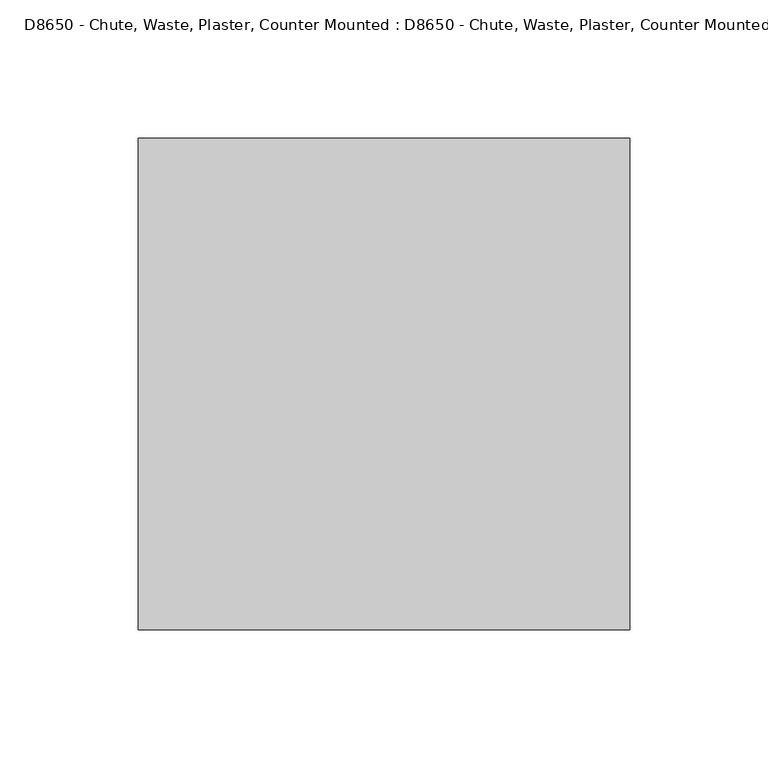
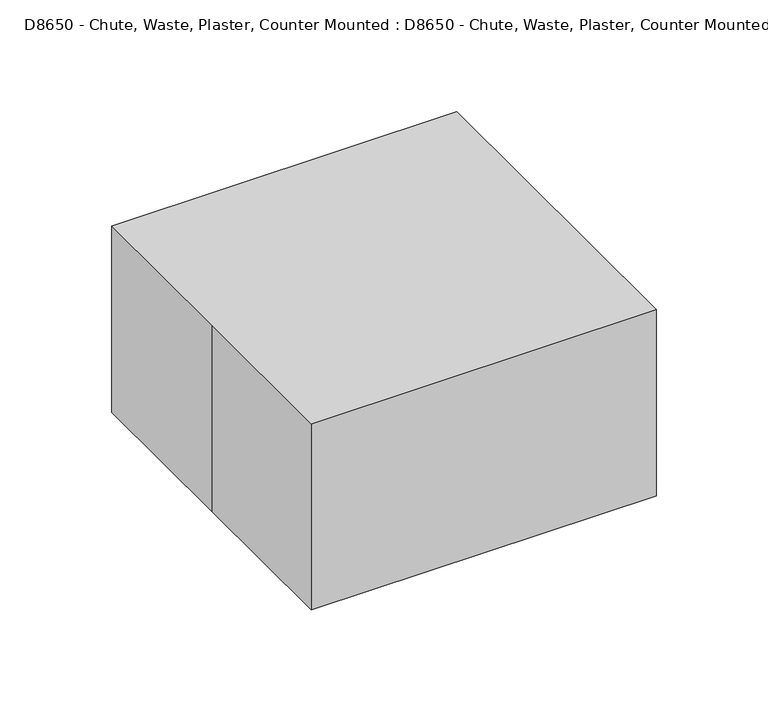
"""IFC4 building model written with IfcOpenShell, lengths in millimetres: proxy geometry, D8650 - Chute, Waste, Plaster, Counter Mounted : D8650 - Chute, Waste, Plaster, Counter Mounted."""

from ifc_helpers import new_model, si_unit, origin, origin_with_axes, place, context, project, spatial, polyline, outline, extrude, source, transform, mapped, element, save


def d8650_chute_waste_plaster_counter_mounted_d8650_chute_waste_d634f0f7(model_context):
    return source(origin(), model_context, "Body", "SweptSolid", [
        extrude(outline(polyline([(75.9349344, 78.3184428), (75.9349344, -74.0815572), (-76.4650656, -74.0815572), (-76.4650656, 78.3184428), (75.9349344, 78.3184428)])), origin_with_axes(), (0.0, 0.0, 1.0), 12.7),
        extrude(outline(polyline([(-88.9, 88.9), (88.9, 88.9), (88.9, -88.9), (-88.9, -88.9), (-88.9, 0.0), (-88.9, 88.9)])), origin_with_axes(), (0.0, 0.0, 1.0), 101.6),
    ])


if __name__ == "__main__":
    model = new_model("IFC4")
    model_context = context("Model", 3, world=origin())
    ifc_project = project(units=[si_unit("LENGTHUNIT", "METRE", prefix="MILLI")], contexts=[model_context])
    site = spatial("IfcSite", under=ifc_project)
    building = spatial("IfcBuilding", under=site)
    placement = place(None, origin())
    d8650_chute_waste_plaster_counter_mounted_d8650_chute_waste_shape = d8650_chute_waste_plaster_counter_mounted_d8650_chute_waste_d634f0f7(model_context)
    element("IfcBuildingElementProxy", 1, Name="D8650 - Chute, Waste, Plaster, Counter Mounted : D8650 - Chute, Waste, Plaster, Counter Mounted", ObjectType="D8650 - Chute, Waste, Plaster, Counter Mounted : D8650 - Chute, Waste, Plaster, Counter Mounted", at=placement, inside=building, context=model_context, shape_type="MappedRepresentation", body=[
        mapped(d8650_chute_waste_plaster_counter_mounted_d8650_chute_waste_shape, transform((0.0, 0.0, 0.0), x_axis=(1.0, 0.0, 0.0), y_axis=(0.0, 1.0, 0.0), z_axis=(0.0, 0.0, 1.0))),
    ])
    save(model, "model.ifc")
